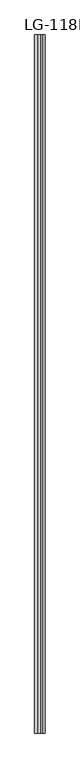
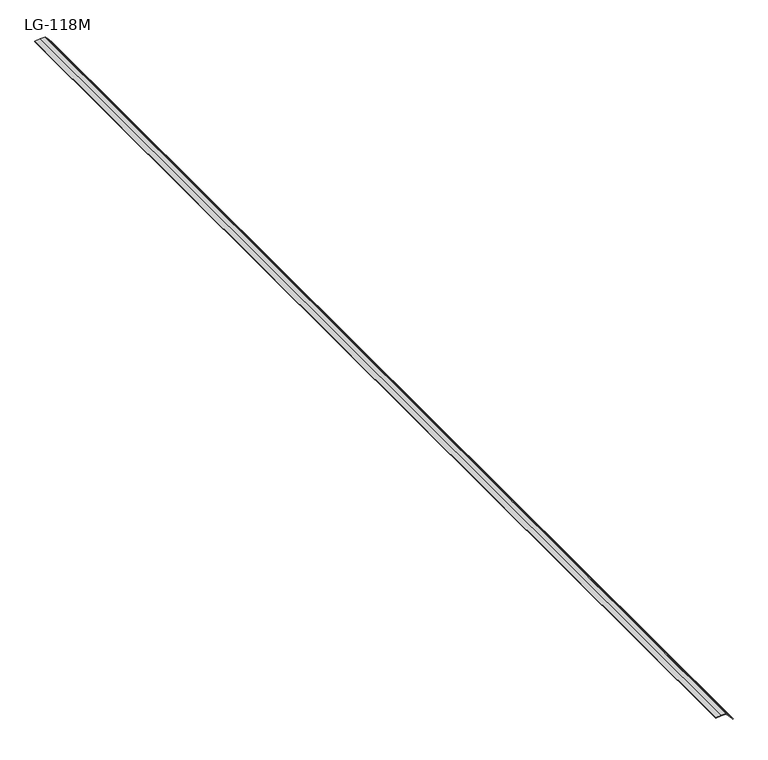
"""IFC4 building model written with IfcOpenShell, lengths in millimetres: proxy geometry, LG-118M."""

from ifc_helpers import new_model, si_unit, point, frame, frame_2d, origin, place, context, project, spatial, polyline, circle_curve, trimmed, segment, composite_curve, outline, extrude, source, transform, mapped, element, save


def lg_118m_e9761364(model_context):
    return source(origin(), model_context, "Body", "SweptSolid", [
        extrude(outline(composite_curve([segment(polyline([(0.9290979, -25.7492849), (0.0, -25.7492849), (0.9290979, -11.7464521), (1.3162058, 0.5706167), (-7.6318757, 8.9923405), (-18.2169554, 18.2169554), (-17.5533141, 18.8805968), (-6.4373212, 10.0873487), (1.8913779, 2.0904703)]), True, "CONTINUOUS"), segment(trimmed(circle_curve(frame_2d((-0.2718465, -0.0782595)), 3.0631567), [point((1.8913779, 2.0904703))], [point((2.7903103, 0.0))], False, "CARTESIAN"), True, "CONTINUOUS"), segment(polyline([(2.7903103, 0.0), (2.5218372, -11.8128163), (0.9290979, -25.7492849)]), True, "CONTINUOUS")], self_intersect=False)), frame((0.0, -1141.4125, 0.0), z_axis=(0.0, 1.0, 0.0), x_axis=(0.0, 0.0, 1.0)), (0.0, 0.0, 1.0), 3021.0125),
    ])


if __name__ == "__main__":
    model = new_model("IFC4")
    model_context = context("Model", 3, world=origin())
    ifc_project = project(units=[si_unit("LENGTHUNIT", "METRE", prefix="MILLI")], contexts=[model_context])
    site = spatial("IfcSite", under=ifc_project)
    building = spatial("IfcBuilding", under=site)
    placement = place(None, origin())
    lg_118m_shape = lg_118m_e9761364(model_context)
    element("IfcBuildingElementProxy", 1, Name="LG-118M", ObjectType="LG-118M", at=placement, inside=building, context=model_context, shape_type="MappedRepresentation", body=[
        mapped(lg_118m_shape, transform((0.0, 0.0, 0.0), x_axis=(1.0, 0.0, 0.0), y_axis=(0.0, 1.0, 0.0), z_axis=(0.0, 0.0, 1.0))),
    ])
    save(model, "model.ifc")
